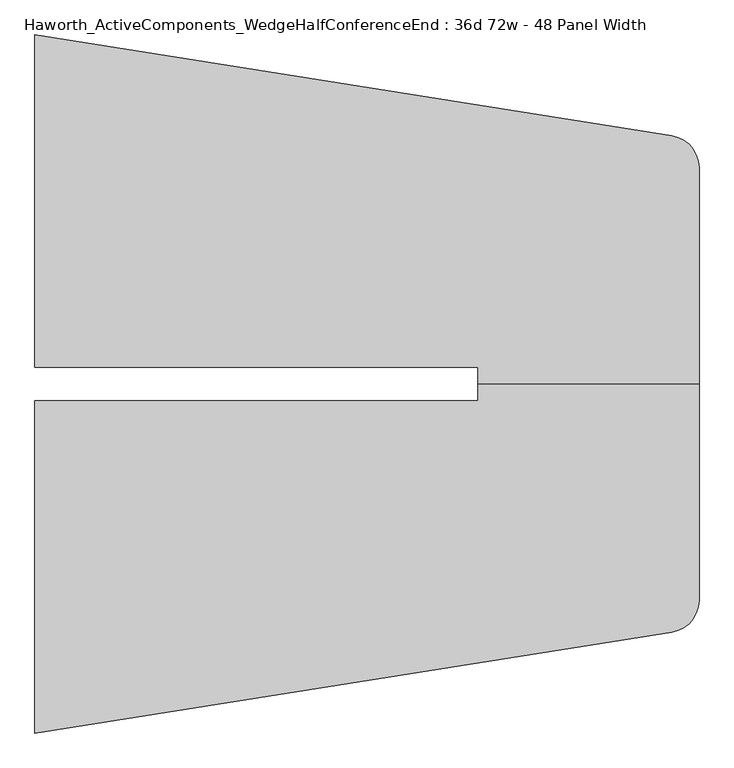
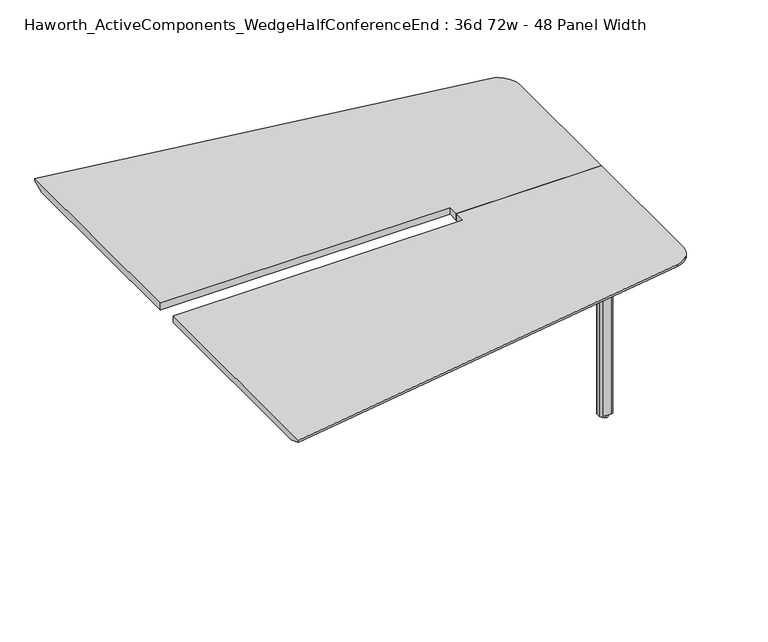
"""IFC4 building model written with IfcOpenShell, lengths in millimetres: furniture geometry, Haworth_ActiveComponents_WedgeHalfConferenceEnd : 36d 72w - 48 Panel Width."""

from ifc_helpers import new_model, si_unit, point, frame, frame_2d, origin, origin_with_axes, place, context, project, spatial, polyline, circle_curve, trimmed, segment, composite_curve, outline, extrude, source, transform, mapped, element, save
from ifc_brep_helpers import plane_surface, cylinder_surface, revolved_surface, advanced_brep


def haworth_activecomponents_wedgehalfconferenceend_36d_72w_48_bf447eb3(model_context):
    return source(origin(), model_context, "Body", "SolidModel", [
        advanced_brep(
        [(749.3, 341.5840234, 741.3625), (749.3, 295.5465234, 741.3625), (1358.9, 295.5465234, 741.3625), (1358.9, 890.402786, 741.3625), (1283.9070239, 978.2082795, 741.3625), (-469.9, 1255.9840234, 741.3625), (-469.9, 341.5840234, 741.3625), (749.3, 341.5840234, 711.2), (-469.9, 341.5840234, 711.2), (-469.9, 1204.5507951, 711.2), (1275.9601531, 928.0337118, 711.2), (1308.1, 890.402786, 711.2), (1308.1, 295.5465234, 711.2), (749.3, 295.5465234, 711.2), (-469.9, 1255.9840234, 731.8375), (1358.9, 295.5465234, 731.8375), (1358.9, 890.402786, 731.8375), (1283.9070239, 978.2082795, 731.8375)],
        [
            (0, 1),
            (1, 2),
            (2, 3),
            (3, 4, circle_curve(frame((1270.0, 890.402786, 741.3625), z_axis=(0.0, 0.0, 1.0), x_axis=(1.0, 0.0, 0.0)), 88.9)),
            (4, 5),
            (5, 6),
            (6, 0),
            (7, 8),
            (8, 9),
            (9, 10),
            (10, 11, circle_curve(frame((1270.0, 890.402786, 711.2), z_axis=(0.0, 0.0, -1.0), x_axis=(0.15643446504022915, 0.987688340595138, 0.0)), 38.1)),
            (11, 12),
            (12, 13),
            (13, 7),
            (6, 8),
            (7, 0),
            (5, 14),
            (14, 9),
            (2, 15),
            (15, 16),
            (16, 3),
            (1, 13),
            (12, 15),
            (4, 17),
            (17, 14),
            (16, 17, circle_curve(frame((1270.0, 890.402786, 731.8375), z_axis=(0.0, 0.0, 1.0), x_axis=(1.0, 0.0, 0.0)), 88.9)),
            (17, 10),
            (16, 11),
        ],
        [
            plane_surface(frame((-469.9, 341.5840234, 741.3625), z_axis=(0.0, 0.0, 1.0), x_axis=(-1.0, 0.0, 0.0))),
            plane_surface(frame((-469.9, 341.5840234, 711.2), z_axis=(0.0, 0.0, -1.0), x_axis=(1.0, 0.0, 0.0))),
            plane_surface(frame((749.3, 341.5840234, 741.3625), z_axis=(0.0, -1.0, 0.0), x_axis=(0.0, 0.0, -1.0))),
            plane_surface(frame((-469.9, 341.5840234, 741.3625), z_axis=(-1.0, 0.0, 0.0), x_axis=(0.0, 0.0, -1.0))),
            plane_surface(frame((1358.9, 890.402786, 741.3625), z_axis=(1.0, 0.0, 0.0), x_axis=(0.0, 0.0, -1.0))),
            plane_surface(frame((1358.9, 295.5465234, 741.3625), z_axis=(0.0, -1.0, 0.0), x_axis=(0.0, 0.0, -1.0))),
            plane_surface(frame((749.3, 295.5465234, 741.3625), z_axis=(-1.0, 0.0, 0.0), x_axis=(0.0, 0.0, -1.0))),
            plane_surface(frame((-469.9, 1255.9840234, 741.3625), z_axis=(0.1564344650402402, 0.9876883405951362, 0.0), x_axis=(0.0, 0.0, -1.0))),
            cylinder_surface(frame((1270.0, 890.402786, 711.2), z_axis=(0.0, 0.0, 1.0), x_axis=(1.0, 0.0, 0.0)), 88.9),
            plane_surface(frame((-469.9, 1255.9840234, 731.8375), z_axis=(0.05887834199406397, 0.37174322094655393, -0.9264665771220847), x_axis=(0.9876883405951362, -0.15643446504024017, 0.0))),
            revolved_surface(polyline([(1275.9601531, 928.0337118, 711.2), (1283.9070239, 978.2082795, 731.8375)]), (1270.0, 890.402786, 741.3625), (0.0, 0.0, 1.0)),
            plane_surface(frame((1358.9, 890.402786, 731.8375), z_axis=(0.3763770469564906, 0.0, -0.9264665771220847), x_axis=(0.0, -1.0, 0.0))),
        ],
        [
            (0, [[1, 2, 3, 4, 5, 6, 7]]),
            (1, [[8, 9, 10, 11, 12, 13, 14]]),
            (2, [[15, -8, 16, -7]]),
            (3, [[17, 18, -9, -15, -6]]),
            (4, [[19, 20, 21, -3]]),
            (5, [[22, -13, 23, -19, -2]]),
            (6, [[-16, -14, -22, -1]]),
            (7, [[24, 25, -17, -5]]),
            (8, [[-21, 26, -24, -4]]),
            (9, [[-10, -18, -25, 27]]),
            (10, [[-26, 28, -11, -27]]),
            (11, [[-20, -23, -12, -28]]),
        ],
    ),
        advanced_brep(
        [(749.3, 249.5090234, 741.3625), (-469.9, 249.5090234, 741.3625), (-469.9, -664.8909766, 741.3625), (1283.9070239, -387.1152326, 741.3625), (1358.9, -299.3097392, 741.3625), (1358.9, 295.5465234, 741.3625), (749.3, 295.5465234, 741.3625), (749.3, 249.5090234, 711.2), (749.3, 295.5465234, 711.2), (1308.1, 295.5465234, 711.2), (1308.1, -299.3097392, 711.2), (1275.9601531, -336.9406649, 711.2), (-469.9, -613.4577482, 711.2), (-469.9, 249.5090234, 711.2), (-469.9, -664.8909766, 731.8375), (1358.9, -299.3097392, 731.8375), (1358.9, 295.5465234, 731.8375), (1283.9070239, -387.1152326, 731.8375)],
        [
            (0, 1),
            (1, 2),
            (2, 3),
            (3, 4, circle_curve(frame((1270.0, -299.3097392, 741.3625), z_axis=(0.0, 0.0, 1.0), x_axis=(1.0, 0.0, 0.0)), 88.9)),
            (4, 5),
            (5, 6),
            (6, 0),
            (7, 8),
            (8, 9),
            (9, 10),
            (10, 11, circle_curve(frame((1270.0, -299.3097392, 711.2), z_axis=(0.0, 0.0, -1.0), x_axis=(0.1564344650402228, -0.987688340595139, 0.0)), 38.1)),
            (11, 12),
            (12, 13),
            (13, 7),
            (0, 7),
            (13, 1),
            (12, 14),
            (14, 2),
            (4, 15),
            (15, 16),
            (16, 5),
            (16, 9),
            (8, 6),
            (14, 17),
            (17, 3),
            (17, 15, circle_curve(frame((1270.0, -299.3097392, 731.8375), z_axis=(0.0, 0.0, 1.0), x_axis=(1.0, 0.0, 0.0)), 88.9)),
            (11, 17),
            (10, 15),
        ],
        [
            plane_surface(frame((-469.9, 249.5090234, 741.3625), z_axis=(0.0, 0.0, 1.0), x_axis=(-1.0, 0.0, 0.0))),
            plane_surface(frame((-469.9, 249.5090234, 711.2), z_axis=(0.0, 0.0, -1.0), x_axis=(1.0, 0.0, 0.0))),
            plane_surface(frame((749.3, 249.5090234, 741.3625), z_axis=(0.0, 1.0, 0.0), x_axis=(0.0, 0.0, -1.0))),
            plane_surface(frame((-469.9, 249.5090234, 741.3625), z_axis=(-1.0, 0.0, 0.0), x_axis=(0.0, 0.0, -1.0))),
            plane_surface(frame((1358.9, -299.3097392, 741.3625), z_axis=(1.0, 0.0, 0.0), x_axis=(0.0, 0.0, -1.0))),
            plane_surface(frame((1358.9, 295.5465234, 741.3625), z_axis=(0.0, 1.0, 0.0), x_axis=(0.0, 0.0, -1.0))),
            plane_surface(frame((749.3, 295.5465234, 741.3625), z_axis=(-1.0, 0.0, 0.0), x_axis=(0.0, 0.0, -1.0))),
            plane_surface(frame((-469.9, -664.8909766, 741.3625), z_axis=(0.15643446504023384, -0.9876883405951372, 0.0), x_axis=(0.0, 0.0, -1.0))),
            cylinder_surface(frame((1270.0, -299.3097392, 711.2), z_axis=(0.0, 0.0, 1.0), x_axis=(1.0, 0.0, 0.0)), 88.9),
            plane_surface(frame((-469.9, -664.8909766, 731.8375), z_axis=(0.05887834199406158, -0.3717432209465543, -0.9264665771220846), x_axis=(0.9876883405951372, 0.1564344650402338, 0.0))),
            revolved_surface(polyline([(1275.9601531, -336.9406649, 711.2), (1283.9070239, -387.1152326, 731.8375)]), (1270.0, -299.3097392, 741.3625), (0.0, 0.0, 1.0)),
            plane_surface(frame((1358.9, -299.3097392, 731.8375), z_axis=(0.3763770469564906, 0.0, -0.9264665771220847), x_axis=(0.0, 1.0, 0.0))),
        ],
        [
            (0, [[1, 2, 3, 4, 5, 6, 7]]),
            (1, [[8, 9, 10, 11, 12, 13, 14]]),
            (2, [[-1, 15, -14, 16]]),
            (3, [[-2, -16, -13, 17, 18]]),
            (4, [[-5, 19, 20, 21]]),
            (5, [[-6, -21, 22, -9, 23]]),
            (6, [[-7, -23, -8, -15]]),
            (7, [[-3, -18, 24, 25]]),
            (8, [[-4, -25, 26, -19]]),
            (9, [[27, -24, -17, -12]]),
            (10, [[-27, -11, 28, -26]]),
            (11, [[-28, -10, -22, -20]]),
        ],
    ),
        extrude(outline(composite_curve([segment(polyline([(1027.90625, 694.0090234), (1027.90625, 827.3590234)]), True, "CONTINUOUS"), segment(trimmed(circle_curve(frame_2d((1037.43125, 827.3590234)), 9.525), [point((1027.90625, 827.3590234))], [point((1037.43125, 836.8840234))], False, "CARTESIAN"), True, "CONTINUOUS"), segment(polyline([(1037.43125, 836.8840234), (1170.78125, 836.8840234)]), True, "CONTINUOUS"), segment(trimmed(circle_curve(frame_2d((1170.78125, 827.3590234)), 9.525), [point((1170.78125, 836.8840234))], [point((1180.30625, 827.3590234))], False, "CARTESIAN"), True, "CONTINUOUS"), segment(polyline([(1180.30625, 827.3590234), (1180.30625, 694.0090234)]), True, "CONTINUOUS"), segment(trimmed(circle_curve(frame_2d((1170.78125, 694.0090234)), 9.525), [point((1180.30625, 694.0090234))], [point((1170.78125, 684.4840234))], False, "CARTESIAN"), True, "CONTINUOUS"), segment(polyline([(1170.78125, 684.4840234), (1037.43125, 684.4840234)]), True, "CONTINUOUS"), segment(trimmed(circle_curve(frame_2d((1037.43125, 694.0090234)), 9.525), [point((1037.43125, 684.4840234))], [point((1027.90625, 694.0090234))], False, "CARTESIAN"), True, "CONTINUOUS")], self_intersect=False)), frame((0.0, 0.0, 706.4375), z_axis=(0.0, 0.0, 1.0), x_axis=(1.0, 0.0, 0.0)), (0.0, 0.0, 1.0), 4.7625),
        extrude(outline(composite_curve([segment(trimmed(circle_curve(frame_2d((1104.10625, 760.6840234)), 13.6023831), [point((1104.10625, 774.2864065))], [point((1104.10625, 747.0816404))], False, "CARTESIAN"), True, "CONTINUOUS"), segment(trimmed(circle_curve(frame_2d((1104.10625, 760.6840234)), 13.6023831), [point((1104.10625, 747.0816404))], [point((1104.10625, 774.2864065))], False, "CARTESIAN"), True, "CONTINUOUS")], self_intersect=False)), origin_with_axes(), (0.0, 0.0, 1.0), 12.7),
        extrude(outline(composite_curve([segment(polyline([(1076.325, 752.7465234), (1076.325, 768.6215234)]), True, "CONTINUOUS"), segment(trimmed(circle_curve(frame_2d((1085.85, 768.6215234)), 9.525), [point((1076.325, 768.6215234))], [point((1085.85, 778.1465234))], False, "CARTESIAN"), True, "CONTINUOUS"), segment(polyline([(1085.85, 778.1465234), (1122.3625, 778.1465234)]), True, "CONTINUOUS"), segment(trimmed(circle_curve(frame_2d((1122.3625, 768.6215234)), 9.525), [point((1122.3625, 778.1465234))], [point((1131.8875, 768.6215234))], False, "CARTESIAN"), True, "CONTINUOUS"), segment(polyline([(1131.8875, 768.6215234), (1131.8875, 752.7465234)]), True, "CONTINUOUS"), segment(trimmed(circle_curve(frame_2d((1122.3625, 752.7465234)), 9.525), [point((1131.8875, 752.7465234))], [point((1122.3625, 743.2215234))], False, "CARTESIAN"), True, "CONTINUOUS"), segment(polyline([(1122.3625, 743.2215234), (1085.85, 743.2215234)]), True, "CONTINUOUS"), segment(trimmed(circle_curve(frame_2d((1085.85, 752.7465234)), 9.525), [point((1085.85, 743.2215234))], [point((1076.325, 752.7465234))], False, "CARTESIAN"), True, "CONTINUOUS")], self_intersect=False)), frame((0.0, 0.0, 12.7), z_axis=(0.0, 0.0, 1.0), x_axis=(1.0, 0.0, 0.0)), (0.0, 0.0, 1.0), 693.7375),
        extrude(outline(composite_curve([segment(trimmed(circle_curve(frame_2d((1037.43125, -102.9159766)), 9.525), [point((1027.90625, -102.9159766))], [point((1037.43125, -93.3909766))], False, "CARTESIAN"), True, "CONTINUOUS"), segment(polyline([(1037.43125, -93.3909766), (1170.78125, -93.3909766)]), True, "CONTINUOUS"), segment(trimmed(circle_curve(frame_2d((1170.78125, -102.9159766)), 9.525), [point((1170.78125, -93.3909766))], [point((1180.30625, -102.9159766))], False, "CARTESIAN"), True, "CONTINUOUS"), segment(polyline([(1180.30625, -102.9159766), (1180.30625, -236.2659766)]), True, "CONTINUOUS"), segment(trimmed(circle_curve(frame_2d((1170.78125, -236.2659766)), 9.525), [point((1180.30625, -236.2659766))], [point((1170.78125, -245.7909766))], False, "CARTESIAN"), True, "CONTINUOUS"), segment(polyline([(1170.78125, -245.7909766), (1037.43125, -245.7909766)]), True, "CONTINUOUS"), segment(trimmed(circle_curve(frame_2d((1037.43125, -236.2659766)), 9.525), [point((1037.43125, -245.7909766))], [point((1027.90625, -236.2659766))], False, "CARTESIAN"), True, "CONTINUOUS"), segment(polyline([(1027.90625, -236.2659766), (1027.90625, -102.9159766)]), True, "CONTINUOUS")], self_intersect=False)), frame((0.0, 0.0, 706.4375), z_axis=(0.0, 0.0, 1.0), x_axis=(1.0, 0.0, 0.0)), (0.0, 0.0, 1.0), 4.7625),
        extrude(outline(composite_curve([segment(trimmed(circle_curve(frame_2d((1104.10625, -169.5909766)), 13.6023831), [point((1104.10625, -183.1933596))], [point((1104.10625, -155.9885935))], False, "CARTESIAN"), True, "CONTINUOUS"), segment(trimmed(circle_curve(frame_2d((1104.10625, -169.5909766)), 13.6023831), [point((1104.10625, -155.9885935))], [point((1104.10625, -183.1933596))], False, "CARTESIAN"), True, "CONTINUOUS")], self_intersect=False)), origin_with_axes(), (0.0, 0.0, 1.0), 12.7),
        extrude(outline(composite_curve([segment(trimmed(circle_curve(frame_2d((1085.85, -161.6534766)), 9.525), [point((1076.325, -161.6534766))], [point((1085.85, -152.1284766))], False, "CARTESIAN"), True, "CONTINUOUS"), segment(polyline([(1085.85, -152.1284766), (1122.3625, -152.1284766)]), True, "CONTINUOUS"), segment(trimmed(circle_curve(frame_2d((1122.3625, -161.6534766)), 9.525), [point((1122.3625, -152.1284766))], [point((1131.8875, -161.6534766))], False, "CARTESIAN"), True, "CONTINUOUS"), segment(polyline([(1131.8875, -161.6534766), (1131.8875, -177.5284766)]), True, "CONTINUOUS"), segment(trimmed(circle_curve(frame_2d((1122.3625, -177.5284766)), 9.525), [point((1131.8875, -177.5284766))], [point((1122.3625, -187.0534766))], False, "CARTESIAN"), True, "CONTINUOUS"), segment(polyline([(1122.3625, -187.0534766), (1085.85, -187.0534766)]), True, "CONTINUOUS"), segment(trimmed(circle_curve(frame_2d((1085.85, -177.5284766)), 9.525), [point((1085.85, -187.0534766))], [point((1076.325, -177.5284766))], False, "CARTESIAN"), True, "CONTINUOUS"), segment(polyline([(1076.325, -177.5284766), (1076.325, -161.6534766)]), True, "CONTINUOUS")], self_intersect=False)), frame((0.0, 0.0, 12.7), z_axis=(0.0, 0.0, 1.0), x_axis=(1.0, 0.0, 0.0)), (0.0, 0.0, 1.0), 693.7375),
    ])


if __name__ == "__main__":
    model = new_model("IFC4")
    model_context = context("Model", 3, world=origin())
    ifc_project = project(units=[si_unit("LENGTHUNIT", "METRE", prefix="MILLI")], contexts=[model_context])
    site = spatial("IfcSite", under=ifc_project)
    building = spatial("IfcBuilding", under=site)
    placement = place(None, origin())
    haworth_activecomponents_wedgehalfconferenceend_36d_72w_48_shape = haworth_activecomponents_wedgehalfconferenceend_36d_72w_48_bf447eb3(model_context)
    element("IfcFurniture", 1, ObjectType="Haworth_ActiveComponents_WedgeHalfConferenceEnd : 36d 72w - 48 Panel Width", at=placement, inside=building, context=model_context, shape_type="MappedRepresentation", body=[
        mapped(haworth_activecomponents_wedgehalfconferenceend_36d_72w_48_shape, transform((0.0, 0.0, 0.0), x_axis=(1.0, 0.0, 0.0), y_axis=(0.0, 1.0, 0.0), z_axis=(0.0, 0.0, 1.0))),
    ])
    save(model, "model.ifc")
